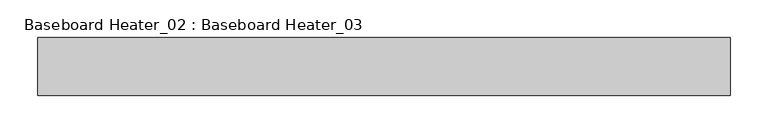
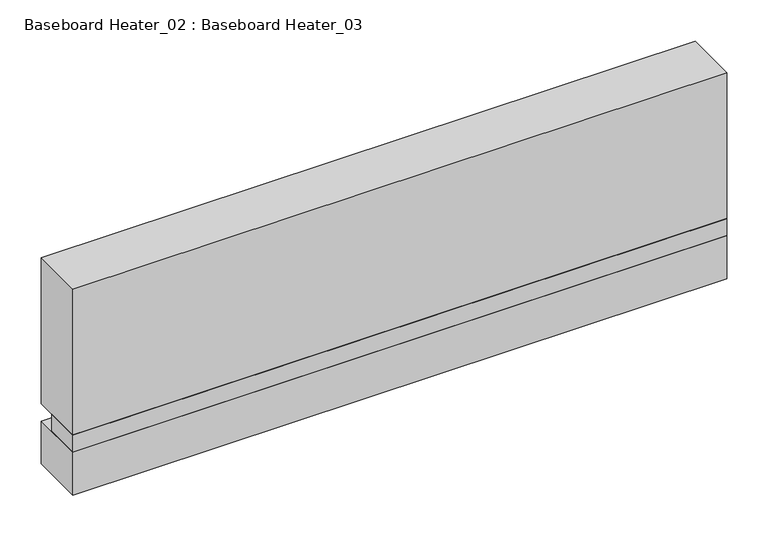
"""IFC4 building model written with IfcOpenShell, lengths in millimetres: proxy geometry, Baseboard Heater_02 : Baseboard Heater_03."""

from ifc_helpers import new_model, si_unit, frame, origin, origin_with_axes, place, context, project, spatial, polyline, outline, extrude, source, transform, mapped, element, save


def baseboard_heater_02_baseboard_heater_03_cfe7ee0d(model_context):
    return source(origin(), model_context, "Body", "SweptSolid", [
        extrude(outline(polyline([(457.2, 0.0), (457.2, -76.2), (-457.2, -76.2), (-457.2, 0.0), (457.2, 0.0)])), origin_with_axes(), (0.0, 0.0, 1.0), 63.5),
        extrude(outline(polyline([(457.2, -25.4), (457.2, -76.2), (-457.2, -76.2), (-457.2, -25.4), (457.2, -25.4)])), frame((0.0, 0.0, 63.5), z_axis=(0.0, 0.0, 1.0), x_axis=(1.0, 0.0, 0.0)), (0.0, 0.0, 1.0), 25.4),
        extrude(outline(polyline([(457.2, 0.0), (457.2, -76.2), (-457.2, -76.2), (-457.2, 0.0), (457.2, 0.0)])), frame((0.0, 0.0, 88.9), z_axis=(0.0, 0.0, 1.0), x_axis=(1.0, 0.0, 0.0)), (0.0, 0.0, 1.0), 215.8067597),
    ])


if __name__ == "__main__":
    model = new_model("IFC4")
    model_context = context("Model", 3, world=origin())
    ifc_project = project(units=[si_unit("LENGTHUNIT", "METRE", prefix="MILLI")], contexts=[model_context])
    site = spatial("IfcSite", under=ifc_project)
    building = spatial("IfcBuilding", under=site)
    placement = place(None, origin())
    baseboard_heater_02_baseboard_heater_03_shape = baseboard_heater_02_baseboard_heater_03_cfe7ee0d(model_context)
    element("IfcBuildingElementProxy", 1, Name="Baseboard Heater_02 : Baseboard Heater_03", ObjectType="Baseboard Heater_02 : Baseboard Heater_03", at=placement, inside=building, context=model_context, shape_type="MappedRepresentation", body=[
        mapped(baseboard_heater_02_baseboard_heater_03_shape, transform((0.0, 0.0, 0.0), x_axis=(1.0, 0.0, 0.0), y_axis=(0.0, 1.0, 0.0), z_axis=(0.0, 0.0, 1.0))),
    ])
    save(model, "model.ifc")
